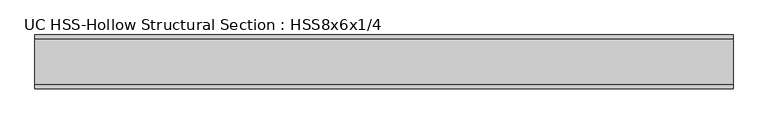
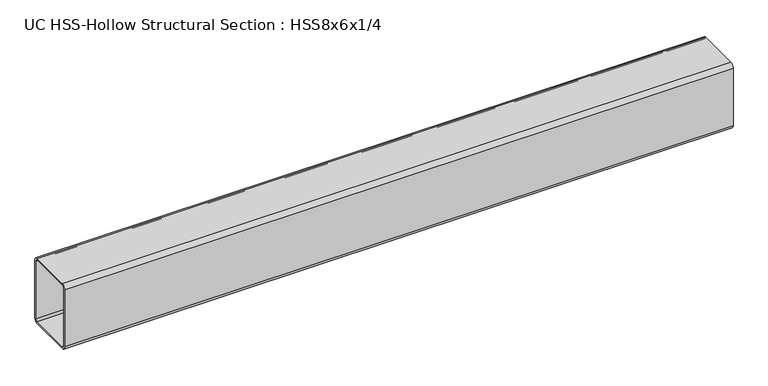
"""IFC4 building model written with IfcOpenShell, lengths in millimetres: beam geometry, UC HSS-Hollow Structural Section : HSS8x6x1/4."""

from ifc_helpers import new_model, si_unit, point, frame, frame_2d, origin, place, context, project, spatial, polyline, circle_curve, trimmed, segment, composite_curve, outline, extrude, source, transform, mapped, element, save


def uc_hss_hollow_structural_section_hss8x6x1_4_b8887f02(model_context):
    return source(origin(), model_context, "Body", "SweptSolid", [
        extrude(outline(composite_curve([segment(trimmed(circle_curve(frame_2d((-64.3636, 89.7636)), 11.8364), [point((-76.2, 89.7636))], [point((-64.3636, 101.6))], False, "CARTESIAN"), True, "CONTINUOUS"), segment(polyline([(-64.3636, 101.6), (64.3636, 101.6)]), True, "CONTINUOUS"), segment(trimmed(circle_curve(frame_2d((64.3636, 89.7636)), 11.8364), [point((64.3636, 101.6))], [point((76.2, 89.7636))], False, "CARTESIAN"), True, "CONTINUOUS"), segment(polyline([(76.2, 89.7636), (76.2, -89.7636)]), True, "CONTINUOUS"), segment(trimmed(circle_curve(frame_2d((64.3636, -89.7636)), 11.8364), [point((76.2, -89.7636))], [point((64.3636, -101.6))], False, "CARTESIAN"), True, "CONTINUOUS"), segment(polyline([(64.3636, -101.6), (-64.3636, -101.6)]), True, "CONTINUOUS"), segment(trimmed(circle_curve(frame_2d((-64.3636, -89.7636)), 11.8364), [point((-64.3636, -101.6))], [point((-76.2, -89.7636))], False, "CARTESIAN"), True, "CONTINUOUS"), segment(polyline([(-76.2, -89.7636), (-76.2, 89.7636)]), True, "CONTINUOUS")], self_intersect=False), holes=[composite_curve([segment(polyline([(64.3636, 95.6818), (-64.3636, 95.6818)]), True, "CONTINUOUS"), segment(trimmed(circle_curve(frame_2d((-64.3636, 89.7636)), 5.9182), [point((-64.3636, 95.6818))], [point((-70.2818, 89.7636))], True, "CARTESIAN"), True, "CONTINUOUS"), segment(polyline([(-70.2818, 89.7636), (-70.2818, -89.7636)]), True, "CONTINUOUS"), segment(trimmed(circle_curve(frame_2d((-64.3636, -89.7636)), 5.9182), [point((-70.2818, -89.7636))], [point((-64.3636, -95.6818))], True, "CARTESIAN"), True, "CONTINUOUS"), segment(polyline([(-64.3636, -95.6818), (64.3636, -95.6818)]), True, "CONTINUOUS"), segment(trimmed(circle_curve(frame_2d((64.3636, -89.7636)), 5.9182), [point((64.3636, -95.6818))], [point((70.2818, -89.7636))], True, "CARTESIAN"), True, "CONTINUOUS"), segment(polyline([(70.2818, -89.7636), (70.2818, 89.7636)]), True, "CONTINUOUS"), segment(trimmed(circle_curve(frame_2d((64.3636, 89.7636)), 5.9182), [point((70.2818, 89.7636))], [point((64.3636, 95.6818))], True, "CARTESIAN"), True, "CONTINUOUS")], self_intersect=False)]), frame((-678.7226765, 0.0, 0.0), z_axis=(1.0, 0.0, 0.0), x_axis=(0.0, 1.0, 0.0)), (0.0, 0.0, 1.0), 1977.7122624),
    ])


if __name__ == "__main__":
    model = new_model("IFC4")
    model_context = context("Model", 3, world=origin())
    ifc_project = project(units=[si_unit("LENGTHUNIT", "METRE", prefix="MILLI")], contexts=[model_context])
    site = spatial("IfcSite", under=ifc_project)
    building = spatial("IfcBuilding", under=site)
    placement = place(None, origin())
    uc_hss_hollow_structural_section_hss8x6x1_4_shape = uc_hss_hollow_structural_section_hss8x6x1_4_b8887f02(model_context)
    element("IfcBeam", 1, ObjectType="UC HSS-Hollow Structural Section : HSS8x6x1/4", at=placement, inside=building, context=model_context, shape_type="MappedRepresentation", body=[
        mapped(uc_hss_hollow_structural_section_hss8x6x1_4_shape, transform((0.0, 0.0, 0.0), x_axis=(1.0, 0.0, 0.0), y_axis=(0.0, 1.0, 0.0), z_axis=(0.0, 0.0, 1.0))),
    ])
    save(model, "model.ifc")
